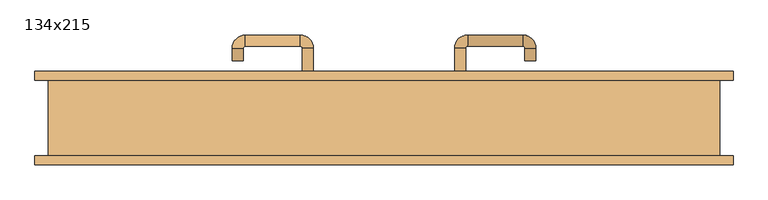
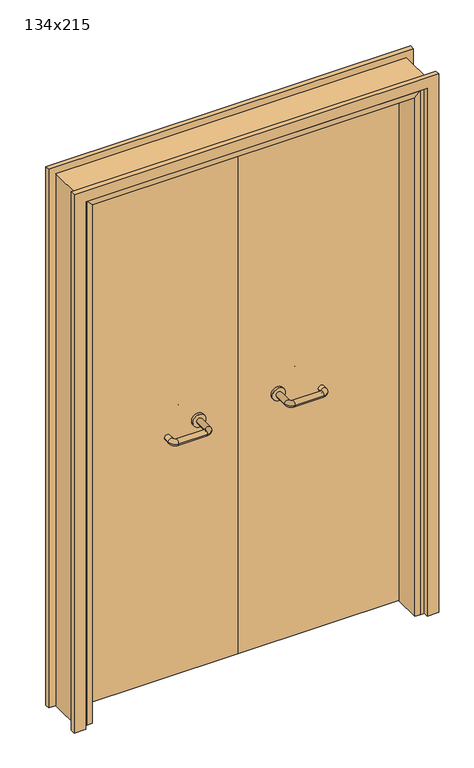
"""IFC4 building model written with IfcOpenShell, lengths in millimetres: door geometry, 134x215."""

from ifc_helpers import new_model, si_unit, point, frame, frame_2d, origin, place, context, project, spatial, polyline, circle_curve, ellipse_curve, trimmed, segment, composite_curve, outline, extrude, faceted_brep, source, transform, mapped, element, save
from ifc_brep_helpers import plane_surface, cylinder_surface, revolved_surface, advanced_brep


def door_134x215_4923bca0(model_context):
    return source(origin(), model_context, "Body", "SolidModel", [
        faceted_brep([(-617.0, 28.0, 0.0), (-617.0, -74.0, 0.0), (-638.0, -74.0, 0.0), (-638.0, 28.0, 0.0), (-617.0, 28.0, 2097.0), (-617.0, -74.0, 2097.0), (-638.0, -74.0, 2118.0), (-638.0, 28.0, 2118.0), (617.0, 28.0, 0.0), (638.0, 28.0, 0.0), (638.0, -74.0, 0.0), (617.0, -74.0, 0.0), (617.0, 28.0, 2097.0), (638.0, 28.0, 2118.0), (638.0, -74.0, 2118.0), (617.0, -74.0, 2097.0)], [[[0, 1, 2, 3]], [[1, 0, 4, 5]], [[2, 1, 5, 6]], [[3, 2, 6, 7]], [[0, 3, 7, 4]], [[8, 9, 10, 11]], [[12, 13, 9, 8]], [[13, 14, 10, 9]], [[14, 15, 11, 10]], [[15, 12, 8, 11]], [[5, 4, 12, 15]], [[6, 5, 15, 14]], [[7, 6, 14, 13]], [[4, 7, 13, 12]]]),
        extrude(outline(polyline([(2177.0, 697.0), (2177.0, -697.0), (0.0, -697.0), (0.0, -653.0), (2133.0, -653.0), (2133.0, 653.0), (0.0, 653.0), (0.0, 697.0), (2177.0, 697.0)])), frame((0.0, 75.0, 0.0), z_axis=(0.0, 1.0, 0.0), x_axis=(0.0, 0.0, 1.0)), (0.0, 0.0, 1.0), 18.0),
        extrude(outline(polyline([(2177.0, -697.0), (0.0, -697.0), (0.0, -653.0), (2133.0, -653.0), (2133.0, 653.0), (0.0, 653.0), (0.0, 697.0), (2177.0, 697.0), (2177.0, -697.0)])), frame((0.0, -93.0, 0.0), z_axis=(0.0, 1.0, 0.0), x_axis=(0.0, 0.0, 1.0)), (0.0, 0.0, 1.0), 18.0),
        extrude(outline(polyline([(2150.0, -670.0), (0.0, -670.0), (0.0, -638.0), (2118.0, -638.0), (2118.0, 638.0), (0.0, 638.0), (0.0, 670.0), (2150.0, 670.0), (2150.0, -670.0)])), frame((0.0, -74.0, 0.0), z_axis=(0.0, 1.0, 0.0), x_axis=(0.0, 0.0, 1.0)), (0.0, 0.0, 1.0), 149.0),
        advanced_brep(
        [(140.99898, 21.0, 1003.0), (162.99898, 21.0, 1003.0), (140.99898, -34.3525369, 1003.0), (162.99898, -34.3525369, 1003.0), (166.99898, -38.3525369, 1003.0), (166.99898, -60.3525369, 1003.0), (276.99898, -60.3525369, 1003.0), (276.99898, -38.3525369, 1003.0), (280.99898, -34.3525369, 1003.0), (302.99898, -34.3525369, 1003.0), (302.99898, -17.0, 1003.0), (280.99898, -17.0, 1003.0)],
        [
            (0, 1, circle_curve(frame((151.99898, 21.0, 1003.0), z_axis=(0.0, 1.0, 0.0), x_axis=(1.0, 0.0, 0.0)), 11.0)),
            (1, 0, circle_curve(frame((151.99898, 21.0, 1003.0), z_axis=(0.0, 1.0, 0.0), x_axis=(1.0, 0.0, 0.0)), 11.0)),
            (0, 2),
            (2, 3, circle_curve(frame((151.99898, -34.3525369, 1003.0), z_axis=(0.0, 1.0, 0.0), x_axis=(1.0, 0.0, 0.0)), 11.0)),
            (3, 1),
            (3, 2, circle_curve(frame((151.99898, -34.3525369, 1003.0), z_axis=(0.0, 1.0, 0.0), x_axis=(1.0, 0.0, 0.0)), 11.0)),
            (4, 3, circle_curve(frame((166.99898, -34.3525369, 1003.0), z_axis=(0.0, 0.0, -1.0), x_axis=(-1.0, 0.0, 0.0)), 4.0)),
            (2, 5, circle_curve(frame((166.99898, -34.3525369, 1003.0), z_axis=(0.0, 0.0, 1.0), x_axis=(-1.0, 0.0, 0.0)), 26.0)),
            (5, 4, circle_curve(frame((166.99898, -49.3525369, 1003.0), z_axis=(-1.0, 0.0, 0.0), x_axis=(0.0, 1.0, 0.0)), 11.0)),
            (4, 5, circle_curve(frame((166.99898, -49.3525369, 1003.0), z_axis=(-1.0, 0.0, 0.0), x_axis=(0.0, 1.0, 0.0)), 11.0)),
            (5, 6),
            (6, 7, circle_curve(frame((276.99898, -49.3525369, 1003.0), z_axis=(-1.0, 0.0, 0.0), x_axis=(0.0, 1.0, 0.0)), 11.0)),
            (7, 4),
            (7, 6, circle_curve(frame((276.99898, -49.3525369, 1003.0), z_axis=(-1.0, 0.0, 0.0), x_axis=(0.0, 1.0, 0.0)), 11.0)),
            (8, 7, circle_curve(frame((276.99898, -34.3525369, 1003.0), z_axis=(0.0, 0.0, -1.0), x_axis=(0.0, -1.0, 0.0)), 4.0)),
            (6, 9, circle_curve(frame((276.99898, -34.3525369, 1003.0), z_axis=(0.0, 0.0, 1.0), x_axis=(0.0, -1.0, 0.0)), 26.0)),
            (9, 8, circle_curve(frame((291.99898, -34.3525369, 1003.0), z_axis=(0.0, -1.0, 0.0), x_axis=(-1.0, 0.0, 0.0)), 11.0)),
            (8, 9, circle_curve(frame((291.99898, -34.3525369, 1003.0), z_axis=(0.0, -1.0, 0.0), x_axis=(-1.0, 0.0, 0.0)), 11.0)),
            (10, 11, circle_curve(frame((291.99898, -17.0, 1003.0), z_axis=(0.0, 1.0, 0.0), x_axis=(-1.0, 0.0, 0.0)), 11.0)),
            (11, 10, circle_curve(frame((291.99898, -17.0, 1003.0), z_axis=(0.0, 1.0, 0.0), x_axis=(-1.0, 0.0, 0.0)), 11.0)),
            (9, 10),
            (11, 8),
        ],
        [
            plane_surface(frame((140.99898, 21.0, 1003.0), z_axis=(0.0, 1.0, 0.0), x_axis=(0.0, 0.0, -1.0))),
            cylinder_surface(frame((151.99898, 21.0, 1003.0), z_axis=(0.0, 1.0, 0.0), x_axis=(1.0, 0.0, 0.0)), 11.0),
            revolved_surface(trimmed(ellipse_curve(frame((151.99898, -34.3525369, 1003.0), z_axis=(0.0, 1.0, 0.0), x_axis=(1.0, 0.0, 0.0)), 11.0, 11.0), [point((140.99898, -34.3525369, 1003.0))], [point((162.99898, -34.3525369, 1003.0))], True, "CARTESIAN"), (166.99898, -34.3525369, 1003.0), (0.0, 0.0, 1.0)),
            revolved_surface(trimmed(ellipse_curve(frame((151.99898, -34.3525369, 1003.0), z_axis=(0.0, 1.0, 0.0), x_axis=(1.0, 0.0, 0.0)), 11.0, 11.0), [point((162.99898, -34.3525369, 1003.0))], [point((140.99898, -34.3525369, 1003.0))], True, "CARTESIAN"), (166.99898, -34.3525369, 1003.0), (0.0, 0.0, 1.0)),
            cylinder_surface(frame((166.99898, -49.3525369, 1003.0), z_axis=(-1.0, 0.0, 0.0), x_axis=(0.0, 1.0, 0.0)), 11.0),
            revolved_surface(trimmed(ellipse_curve(frame((276.99898, -49.3525369, 1003.0), z_axis=(-1.0, 0.0, 0.0), x_axis=(0.0, 1.0, 0.0)), 11.0, 11.0), [point((276.99898, -60.3525369, 1003.0))], [point((276.99898, -38.3525369, 1003.0))], True, "CARTESIAN"), (276.99898, -34.3525369, 1003.0), (0.0, 0.0, 1.0)),
            revolved_surface(trimmed(ellipse_curve(frame((276.99898, -49.3525369, 1003.0), z_axis=(-1.0, 0.0, 0.0), x_axis=(0.0, 1.0, 0.0)), 11.0, 11.0), [point((276.99898, -38.3525369, 1003.0))], [point((276.99898, -60.3525369, 1003.0))], True, "CARTESIAN"), (276.99898, -34.3525369, 1003.0), (0.0, 0.0, 1.0)),
            plane_surface(frame((280.99898, -17.0, 1003.0), z_axis=(0.0, 1.0, 0.0), x_axis=(0.0, 0.0, 1.0))),
            cylinder_surface(frame((291.99898, -34.3525369, 1003.0), z_axis=(0.0, -1.0, 0.0), x_axis=(-1.0, 0.0, 0.0)), 11.0),
        ],
        [
            (0, [[1, 2]]),
            (1, [[-1, 3, 4, 5]]),
            (1, [[-2, -5, 6, -3]]),
            (2, [[7, -4, 8, 9]]),
            (3, [[-8, -6, -7, 10]]),
            (4, [[-9, 11, 12, 13]]),
            (4, [[-10, -13, 14, -11]]),
            (5, [[15, -12, 16, 17]]),
            (6, [[-16, -14, -15, 18]]),
            (7, [[19, 20]]),
            (8, [[-17, 21, -20, 22]]),
            (8, [[-18, -22, -19, -21]]),
        ],
    ),
        extrude(outline(composite_curve([segment(trimmed(circle_curve(frame_2d((1003.0, 151.99898)), 25.0), [point((1003.0, 126.99898))], [point((1003.0, 176.99898))], False, "CARTESIAN"), True, "CONTINUOUS"), segment(trimmed(circle_curve(frame_2d((1003.0, 151.99898)), 25.0), [point((1003.0, 176.99898))], [point((1003.0, 126.99898))], False, "CARTESIAN"), True, "CONTINUOUS")], self_intersect=False)), frame((0.0, 21.0, 0.0), z_axis=(0.0, 1.0, 0.0), x_axis=(0.0, 0.0, 1.0)), (0.0, 0.0, 1.0), 10.0),
        advanced_brep(
        [(162.99898, 85.0, 1003.0), (140.99898, 85.0, 1003.0), (162.99898, 140.0, 1003.0), (140.99898, 140.0, 1003.0), (166.99898, 166.0, 1003.0), (166.99898, 144.0, 1003.0), (276.99898, 144.0, 1003.0), (276.99898, 166.0, 1003.0), (302.99898, 140.0, 1003.0), (280.99898, 140.0, 1003.0), (280.99898, 115.0, 1003.0), (302.99898, 115.0, 1003.0)],
        [
            (0, 1, circle_curve(frame((151.99898, 85.0, 1003.0), z_axis=(0.0, -1.0, 0.0), x_axis=(-1.0, 0.0, 0.0)), 11.0)),
            (1, 0, circle_curve(frame((151.99898, 85.0, 1003.0), z_axis=(0.0, -1.0, 0.0), x_axis=(-1.0, 0.0, 0.0)), 11.0)),
            (0, 2),
            (2, 3, circle_curve(frame((151.99898, 140.0, 1003.0), z_axis=(0.0, -1.0, 0.0), x_axis=(-1.0, 0.0, 0.0)), 11.0)),
            (3, 1),
            (3, 2, circle_curve(frame((151.99898, 140.0, 1003.0), z_axis=(0.0, -1.0, 0.0), x_axis=(-1.0, 0.0, 0.0)), 11.0)),
            (4, 3, circle_curve(frame((166.99898, 140.0, 1003.0), z_axis=(0.0, 0.0, 1.0), x_axis=(-1.0, 0.0, 0.0)), 26.0)),
            (2, 5, circle_curve(frame((166.99898, 140.0, 1003.0), z_axis=(0.0, 0.0, -1.0), x_axis=(-1.0, 0.0, 0.0)), 4.0)),
            (5, 4, circle_curve(frame((166.99898, 155.0, 1003.0), z_axis=(-1.0, 0.0, 0.0), x_axis=(0.0, 1.0, 0.0)), 11.0)),
            (4, 5, circle_curve(frame((166.99898, 155.0, 1003.0), z_axis=(-1.0, 0.0, 0.0), x_axis=(0.0, 1.0, 0.0)), 11.0)),
            (5, 6),
            (6, 7, circle_curve(frame((276.99898, 155.0, 1003.0), z_axis=(-1.0, 0.0, 0.0), x_axis=(0.0, 1.0, 0.0)), 11.0)),
            (7, 4),
            (7, 6, circle_curve(frame((276.99898, 155.0, 1003.0), z_axis=(-1.0, 0.0, 0.0), x_axis=(0.0, 1.0, 0.0)), 11.0)),
            (8, 7, circle_curve(frame((276.99898, 140.0, 1003.0), z_axis=(0.0, 0.0, 1.0), x_axis=(0.0, 1.0, 0.0)), 26.0)),
            (6, 9, circle_curve(frame((276.99898, 140.0, 1003.0), z_axis=(0.0, 0.0, -1.0), x_axis=(0.0, 1.0, 0.0)), 4.0)),
            (9, 8, circle_curve(frame((291.99898, 140.0, 1003.0), z_axis=(0.0, 1.0, 0.0), x_axis=(1.0, 0.0, 0.0)), 11.0)),
            (8, 9, circle_curve(frame((291.99898, 140.0, 1003.0), z_axis=(0.0, 1.0, 0.0), x_axis=(1.0, 0.0, 0.0)), 11.0)),
            (10, 11, circle_curve(frame((291.99898, 115.0, 1003.0), z_axis=(0.0, -1.0, 0.0), x_axis=(1.0, 0.0, 0.0)), 11.0)),
            (11, 10, circle_curve(frame((291.99898, 115.0, 1003.0), z_axis=(0.0, -1.0, 0.0), x_axis=(1.0, 0.0, 0.0)), 11.0)),
            (9, 10),
            (11, 8),
        ],
        [
            plane_surface(frame((140.99898, 85.0, 1003.0), z_axis=(0.0, -1.0, 0.0), x_axis=(0.0, 0.0, 1.0))),
            cylinder_surface(frame((151.99898, 85.0, 1003.0), z_axis=(0.0, -1.0, 0.0), x_axis=(-1.0, 0.0, 0.0)), 11.0),
            revolved_surface(trimmed(ellipse_curve(frame((151.99898, 140.0, 1003.0), z_axis=(0.0, -1.0, 0.0), x_axis=(-1.0, 0.0, 0.0)), 11.0, 11.0), [point((162.99898, 140.0, 1003.0))], [point((140.99898, 140.0, 1003.0))], True, "CARTESIAN"), (166.99898, 140.0, 1003.0), (0.0, 0.0, -1.0)),
            revolved_surface(trimmed(ellipse_curve(frame((151.99898, 140.0, 1003.0), z_axis=(0.0, -1.0, 0.0), x_axis=(-1.0, 0.0, 0.0)), 11.0, 11.0), [point((140.99898, 140.0, 1003.0))], [point((162.99898, 140.0, 1003.0))], True, "CARTESIAN"), (166.99898, 140.0, 1003.0), (0.0, 0.0, -1.0)),
            cylinder_surface(frame((166.99898, 155.0, 1003.0), z_axis=(-1.0, 0.0, 0.0), x_axis=(0.0, 1.0, 0.0)), 11.0),
            revolved_surface(trimmed(ellipse_curve(frame((276.99898, 155.0, 1003.0), z_axis=(-1.0, 0.0, 0.0), x_axis=(0.0, 1.0, 0.0)), 11.0, 11.0), [point((276.99898, 144.0, 1003.0))], [point((276.99898, 166.0, 1003.0))], True, "CARTESIAN"), (276.99898, 140.0, 1003.0), (0.0, 0.0, -1.0)),
            revolved_surface(trimmed(ellipse_curve(frame((276.99898, 155.0, 1003.0), z_axis=(-1.0, 0.0, 0.0), x_axis=(0.0, 1.0, 0.0)), 11.0, 11.0), [point((276.99898, 166.0, 1003.0))], [point((276.99898, 144.0, 1003.0))], True, "CARTESIAN"), (276.99898, 140.0, 1003.0), (0.0, 0.0, -1.0)),
            plane_surface(frame((280.99898, 115.0, 1003.0), z_axis=(0.0, -1.0, 0.0), x_axis=(0.0, 0.0, -1.0))),
            cylinder_surface(frame((291.99898, 140.0, 1003.0), z_axis=(0.0, 1.0, 0.0), x_axis=(1.0, 0.0, 0.0)), 11.0),
        ],
        [
            (0, [[1, 2]]),
            (1, [[-1, 3, 4, 5]]),
            (1, [[-2, -5, 6, -3]]),
            (2, [[7, -4, 8, 9]]),
            (3, [[-8, -6, -7, 10]]),
            (4, [[-9, 11, 12, 13]]),
            (4, [[-10, -13, 14, -11]]),
            (5, [[15, -12, 16, 17]]),
            (6, [[-16, -14, -15, 18]]),
            (7, [[19, 20]]),
            (8, [[-17, 21, -20, 22]]),
            (8, [[-18, -22, -19, -21]]),
        ],
    ),
        extrude(outline(composite_curve([segment(trimmed(circle_curve(frame_2d((1003.0, 151.99898)), 25.0), [point((1003.0, 176.99898))], [point((1003.0, 126.99898))], False, "CARTESIAN"), True, "CONTINUOUS"), segment(trimmed(circle_curve(frame_2d((1003.0, 151.99898)), 25.0), [point((1003.0, 126.99898))], [point((1003.0, 176.99898))], False, "CARTESIAN"), True, "CONTINUOUS")], self_intersect=False)), frame((0.0, 75.0, 0.0), z_axis=(0.0, 1.0, 0.0), x_axis=(0.0, 0.0, 1.0)), (0.0, 0.0, 1.0), 10.0),
        advanced_brep(
        [(-162.99898, 20.6886121, 1003.0), (-140.99898, 20.6886121, 1003.0), (-162.99898, -34.7220447, 1003.0), (-140.99898, -34.7220447, 1003.0), (-166.99898, -60.7220447, 1003.0), (-166.99898, -38.7220447, 1003.0), (-276.99898, -38.7220447, 1003.0), (-276.99898, -60.7220447, 1003.0), (-302.99898, -34.7220447, 1003.0), (-280.99898, -34.7220447, 1003.0), (-280.99898, -9.7220447, 1003.0), (-302.99898, -9.7220447, 1003.0)],
        [
            (0, 1, circle_curve(frame((-151.99898, 20.6886121, 1003.0), z_axis=(0.0, 1.0, 0.0), x_axis=(1.0, 0.0, 0.0)), 11.0)),
            (1, 0, circle_curve(frame((-151.99898, 20.6886121, 1003.0), z_axis=(0.0, 1.0, 0.0), x_axis=(1.0, 0.0, 0.0)), 11.0)),
            (0, 2),
            (2, 3, circle_curve(frame((-151.99898, -34.7220447, 1003.0), z_axis=(0.0, 1.0, 0.0), x_axis=(1.0, 0.0, 0.0)), 11.0)),
            (3, 1),
            (3, 2, circle_curve(frame((-151.99898, -34.7220447, 1003.0), z_axis=(0.0, 1.0, 0.0), x_axis=(1.0, 0.0, 0.0)), 11.0)),
            (4, 3, circle_curve(frame((-166.99898, -34.7220447, 1003.0), z_axis=(0.0, 0.0, 1.0), x_axis=(1.0, 0.0, 0.0)), 26.0)),
            (2, 5, circle_curve(frame((-166.99898, -34.7220447, 1003.0), z_axis=(0.0, 0.0, -1.0), x_axis=(1.0, 0.0, 0.0)), 4.0)),
            (5, 4, circle_curve(frame((-166.99898, -49.7220447, 1003.0), z_axis=(1.0, 0.0, 0.0), x_axis=(0.0, -1.0, 0.0)), 11.0)),
            (4, 5, circle_curve(frame((-166.99898, -49.7220447, 1003.0), z_axis=(1.0, 0.0, 0.0), x_axis=(0.0, -1.0, 0.0)), 11.0)),
            (5, 6),
            (6, 7, circle_curve(frame((-276.99898, -49.7220447, 1003.0), z_axis=(1.0, 0.0, 0.0), x_axis=(0.0, -1.0, 0.0)), 11.0)),
            (7, 4),
            (7, 6, circle_curve(frame((-276.99898, -49.7220447, 1003.0), z_axis=(1.0, 0.0, 0.0), x_axis=(0.0, -1.0, 0.0)), 11.0)),
            (8, 7, circle_curve(frame((-276.99898, -34.7220447, 1003.0), z_axis=(0.0, 0.0, 1.0), x_axis=(0.0, -1.0, 0.0)), 26.0)),
            (6, 9, circle_curve(frame((-276.99898, -34.7220447, 1003.0), z_axis=(0.0, 0.0, -1.0), x_axis=(0.0, -1.0, 0.0)), 4.0)),
            (9, 8, circle_curve(frame((-291.99898, -34.7220447, 1003.0), z_axis=(0.0, -1.0, 0.0), x_axis=(-1.0, 0.0, 0.0)), 11.0)),
            (8, 9, circle_curve(frame((-291.99898, -34.7220447, 1003.0), z_axis=(0.0, -1.0, 0.0), x_axis=(-1.0, 0.0, 0.0)), 11.0)),
            (10, 11, circle_curve(frame((-291.99898, -9.7220447, 1003.0), z_axis=(0.0, 1.0, 0.0), x_axis=(-1.0, 0.0, 0.0)), 11.0)),
            (11, 10, circle_curve(frame((-291.99898, -9.7220447, 1003.0), z_axis=(0.0, 1.0, 0.0), x_axis=(-1.0, 0.0, 0.0)), 11.0)),
            (9, 10),
            (11, 8),
        ],
        [
            plane_surface(frame((-162.99898, 20.6886121, 1003.0), z_axis=(0.0, 1.0, 0.0), x_axis=(0.0, 0.0, -1.0))),
            cylinder_surface(frame((-151.99898, 20.6886121, 1003.0), z_axis=(0.0, 1.0, 0.0), x_axis=(1.0, 0.0, 0.0)), 11.0),
            revolved_surface(trimmed(ellipse_curve(frame((-151.99898, -34.7220447, 1003.0), z_axis=(0.0, 1.0, 0.0), x_axis=(1.0, 0.0, 0.0)), 11.0, 11.0), [point((-162.99898, -34.7220447, 1003.0))], [point((-140.99898, -34.7220447, 1003.0))], True, "CARTESIAN"), (-166.99898, -34.7220447, 1003.0), (0.0, 0.0, -1.0)),
            revolved_surface(trimmed(ellipse_curve(frame((-151.99898, -34.7220447, 1003.0), z_axis=(0.0, 1.0, 0.0), x_axis=(1.0, 0.0, 0.0)), 11.0, 11.0), [point((-140.99898, -34.7220447, 1003.0))], [point((-162.99898, -34.7220447, 1003.0))], True, "CARTESIAN"), (-166.99898, -34.7220447, 1003.0), (0.0, 0.0, -1.0)),
            cylinder_surface(frame((-166.99898, -49.7220447, 1003.0), z_axis=(1.0, 0.0, 0.0), x_axis=(0.0, -1.0, 0.0)), 11.0),
            revolved_surface(trimmed(ellipse_curve(frame((-276.99898, -49.7220447, 1003.0), z_axis=(1.0, 0.0, 0.0), x_axis=(0.0, -1.0, 0.0)), 11.0, 11.0), [point((-276.99898, -38.7220447, 1003.0))], [point((-276.99898, -60.7220447, 1003.0))], True, "CARTESIAN"), (-276.99898, -34.7220447, 1003.0), (0.0, 0.0, -1.0)),
            revolved_surface(trimmed(ellipse_curve(frame((-276.99898, -49.7220447, 1003.0), z_axis=(1.0, 0.0, 0.0), x_axis=(0.0, -1.0, 0.0)), 11.0, 11.0), [point((-276.99898, -60.7220447, 1003.0))], [point((-276.99898, -38.7220447, 1003.0))], True, "CARTESIAN"), (-276.99898, -34.7220447, 1003.0), (0.0, 0.0, -1.0)),
            plane_surface(frame((-302.99898, -9.7220447, 1003.0), z_axis=(0.0, 1.0, 0.0), x_axis=(0.0, 0.0, 1.0))),
            cylinder_surface(frame((-291.99898, -34.7220447, 1003.0), z_axis=(0.0, -1.0, 0.0), x_axis=(-1.0, 0.0, 0.0)), 11.0),
        ],
        [
            (0, [[1, 2]]),
            (1, [[-1, 3, 4, 5]]),
            (1, [[-2, -5, 6, -3]]),
            (2, [[7, -4, 8, 9]]),
            (3, [[-8, -6, -7, 10]]),
            (4, [[-9, 11, 12, 13]]),
            (4, [[-10, -13, 14, -11]]),
            (5, [[15, -12, 16, 17]]),
            (6, [[-16, -14, -15, 18]]),
            (7, [[19, 20]]),
            (8, [[-17, 21, -20, 22]]),
            (8, [[-18, -22, -19, -21]]),
        ],
    ),
        extrude(outline(composite_curve([segment(trimmed(circle_curve(frame_2d((1003.0, -151.99898)), 25.0), [point((1003.0, -176.99898))], [point((1003.0, -126.99898))], False, "CARTESIAN"), True, "CONTINUOUS"), segment(trimmed(circle_curve(frame_2d((1003.0, -151.99898)), 25.0), [point((1003.0, -126.99898))], [point((1003.0, -176.99898))], False, "CARTESIAN"), True, "CONTINUOUS")], self_intersect=False)), frame((0.0, 20.6886121, 0.0), z_axis=(0.0, 1.0, 0.0), x_axis=(0.0, 0.0, 1.0)), (0.0, 0.0, 1.0), 10.3113879),
        advanced_brep(
        [(-140.99898, 84.5143417, 1003.0), (-162.99898, 84.5143417, 1003.0), (-140.99898, 139.6104656, 1003.0), (-162.99898, 139.6104656, 1003.0), (-166.99898, 143.6104656, 1003.0), (-166.99898, 165.6104656, 1003.0), (-276.99898, 165.6104656, 1003.0), (-276.99898, 143.6104656, 1003.0), (-280.99898, 139.6104656, 1003.0), (-302.99898, 139.6104656, 1003.0), (-302.99898, 114.6104656, 1003.0), (-280.99898, 114.6104656, 1003.0)],
        [
            (0, 1, circle_curve(frame((-151.99898, 84.5143417, 1003.0), z_axis=(0.0, -1.0, 0.0), x_axis=(-1.0, 0.0, 0.0)), 11.0)),
            (1, 0, circle_curve(frame((-151.99898, 84.5143417, 1003.0), z_axis=(0.0, -1.0, 0.0), x_axis=(-1.0, 0.0, 0.0)), 11.0)),
            (0, 2),
            (2, 3, circle_curve(frame((-151.99898, 139.6104656, 1003.0), z_axis=(0.0, -1.0, 0.0), x_axis=(-1.0, 0.0, 0.0)), 11.0)),
            (3, 1),
            (3, 2, circle_curve(frame((-151.99898, 139.6104656, 1003.0), z_axis=(0.0, -1.0, 0.0), x_axis=(-1.0, 0.0, 0.0)), 11.0)),
            (4, 3, circle_curve(frame((-166.99898, 139.6104656, 1003.0), z_axis=(0.0, 0.0, -1.0), x_axis=(1.0, 0.0, 0.0)), 4.0)),
            (2, 5, circle_curve(frame((-166.99898, 139.6104656, 1003.0), z_axis=(0.0, 0.0, 1.0), x_axis=(1.0, 0.0, 0.0)), 26.0)),
            (5, 4, circle_curve(frame((-166.99898, 154.6104656, 1003.0), z_axis=(1.0, 0.0, 0.0), x_axis=(0.0, -1.0, 0.0)), 11.0)),
            (4, 5, circle_curve(frame((-166.99898, 154.6104656, 1003.0), z_axis=(1.0, 0.0, 0.0), x_axis=(0.0, -1.0, 0.0)), 11.0)),
            (5, 6),
            (6, 7, circle_curve(frame((-276.99898, 154.6104656, 1003.0), z_axis=(1.0, 0.0, 0.0), x_axis=(0.0, -1.0, 0.0)), 11.0)),
            (7, 4),
            (7, 6, circle_curve(frame((-276.99898, 154.6104656, 1003.0), z_axis=(1.0, 0.0, 0.0), x_axis=(0.0, -1.0, 0.0)), 11.0)),
            (8, 7, circle_curve(frame((-276.99898, 139.6104656, 1003.0), z_axis=(0.0, 0.0, -1.0), x_axis=(0.0, 1.0, 0.0)), 4.0)),
            (6, 9, circle_curve(frame((-276.99898, 139.6104656, 1003.0), z_axis=(0.0, 0.0, 1.0), x_axis=(0.0, 1.0, 0.0)), 26.0)),
            (9, 8, circle_curve(frame((-291.99898, 139.6104656, 1003.0), z_axis=(0.0, 1.0, 0.0), x_axis=(1.0, 0.0, 0.0)), 11.0)),
            (8, 9, circle_curve(frame((-291.99898, 139.6104656, 1003.0), z_axis=(0.0, 1.0, 0.0), x_axis=(1.0, 0.0, 0.0)), 11.0)),
            (10, 11, circle_curve(frame((-291.99898, 114.6104656, 1003.0), z_axis=(0.0, -1.0, 0.0), x_axis=(1.0, 0.0, 0.0)), 11.0)),
            (11, 10, circle_curve(frame((-291.99898, 114.6104656, 1003.0), z_axis=(0.0, -1.0, 0.0), x_axis=(1.0, 0.0, 0.0)), 11.0)),
            (9, 10),
            (11, 8),
        ],
        [
            plane_surface(frame((-162.99898, 84.5143417, 1003.0), z_axis=(0.0, -1.0, 0.0), x_axis=(0.0, 0.0, 1.0))),
            cylinder_surface(frame((-151.99898, 84.5143417, 1003.0), z_axis=(0.0, -1.0, 0.0), x_axis=(-1.0, 0.0, 0.0)), 11.0),
            revolved_surface(trimmed(ellipse_curve(frame((-151.99898, 139.6104656, 1003.0), z_axis=(0.0, -1.0, 0.0), x_axis=(-1.0, 0.0, 0.0)), 11.0, 11.0), [point((-140.99898, 139.6104656, 1003.0))], [point((-162.99898, 139.6104656, 1003.0))], True, "CARTESIAN"), (-166.99898, 139.6104656, 1003.0), (0.0, 0.0, 1.0)),
            revolved_surface(trimmed(ellipse_curve(frame((-151.99898, 139.6104656, 1003.0), z_axis=(0.0, -1.0, 0.0), x_axis=(-1.0, 0.0, 0.0)), 11.0, 11.0), [point((-162.99898, 139.6104656, 1003.0))], [point((-140.99898, 139.6104656, 1003.0))], True, "CARTESIAN"), (-166.99898, 139.6104656, 1003.0), (0.0, 0.0, 1.0)),
            cylinder_surface(frame((-166.99898, 154.6104656, 1003.0), z_axis=(1.0, 0.0, 0.0), x_axis=(0.0, -1.0, 0.0)), 11.0),
            revolved_surface(trimmed(ellipse_curve(frame((-276.99898, 154.6104656, 1003.0), z_axis=(1.0, 0.0, 0.0), x_axis=(0.0, -1.0, 0.0)), 11.0, 11.0), [point((-276.99898, 165.6104656, 1003.0))], [point((-276.99898, 143.6104656, 1003.0))], True, "CARTESIAN"), (-276.99898, 139.6104656, 1003.0), (0.0, 0.0, 1.0)),
            revolved_surface(trimmed(ellipse_curve(frame((-276.99898, 154.6104656, 1003.0), z_axis=(1.0, 0.0, 0.0), x_axis=(0.0, -1.0, 0.0)), 11.0, 11.0), [point((-276.99898, 143.6104656, 1003.0))], [point((-276.99898, 165.6104656, 1003.0))], True, "CARTESIAN"), (-276.99898, 139.6104656, 1003.0), (0.0, 0.0, 1.0)),
            plane_surface(frame((-302.99898, 114.6104656, 1003.0), z_axis=(0.0, -1.0, 0.0), x_axis=(0.0, 0.0, -1.0))),
            cylinder_surface(frame((-291.99898, 139.6104656, 1003.0), z_axis=(0.0, 1.0, 0.0), x_axis=(1.0, 0.0, 0.0)), 11.0),
        ],
        [
            (0, [[1, 2]]),
            (1, [[-1, 3, 4, 5]]),
            (1, [[-2, -5, 6, -3]]),
            (2, [[7, -4, 8, 9]]),
            (3, [[-8, -6, -7, 10]]),
            (4, [[-9, 11, 12, 13]]),
            (4, [[-10, -13, 14, -11]]),
            (5, [[15, -12, 16, 17]]),
            (6, [[-16, -14, -15, 18]]),
            (7, [[19, 20]]),
            (8, [[-17, 21, -20, 22]]),
            (8, [[-18, -22, -19, -21]]),
        ],
    ),
        extrude(outline(composite_curve([segment(trimmed(circle_curve(frame_2d((1003.0, -151.99898)), 25.0), [point((1003.0, -126.99898))], [point((1003.0, -176.99898))], False, "CARTESIAN"), True, "CONTINUOUS"), segment(trimmed(circle_curve(frame_2d((1003.0, -151.99898)), 25.0), [point((1003.0, -176.99898))], [point((1003.0, -126.99898))], False, "CARTESIAN"), True, "CONTINUOUS")], self_intersect=False)), frame((0.0, 75.0, 0.0), z_axis=(0.0, 1.0, 0.0), x_axis=(0.0, 0.0, 1.0)), (0.0, 0.0, 1.0), 9.5143417),
        extrude(outline(polyline([(1.0739506, 31.0), (-635.0, 31.0), (-635.0, 75.0), (1.0739506, 75.0), (1.0739506, 31.0)])), frame((0.0, 0.0, 1.753223), z_axis=(0.0, 0.0, 1.0), x_axis=(1.0, 0.0, 0.0)), (0.0, 0.0, 1.0), 2116.246777),
        extrude(outline(polyline([(635.0, 31.0), (1.0739506, 31.0), (1.0739506, 75.0), (635.0, 75.0), (635.0, 31.0)])), frame((0.0, 0.0, 1.753223), z_axis=(0.0, 0.0, 1.0), x_axis=(1.0, 0.0, 0.0)), (0.0, 0.0, 1.0), 2116.246777),
    ])


if __name__ == "__main__":
    model = new_model("IFC4")
    model_context = context("Model", 3, world=origin())
    ifc_project = project(units=[si_unit("LENGTHUNIT", "METRE", prefix="MILLI")], contexts=[model_context])
    site = spatial("IfcSite", under=ifc_project)
    building = spatial("IfcBuilding", under=site)
    placement = place(None, origin())
    door_134x215_shape = door_134x215_4923bca0(model_context)
    element("IfcDoor", 1, ObjectType="134x215", at=placement, inside=building, context=model_context, shape_type="MappedRepresentation", body=[
        mapped(door_134x215_shape, transform((0.0, 0.0, 0.0), x_axis=(1.0, 0.0, 0.0), y_axis=(0.0, 1.0, 0.0), z_axis=(0.0, 0.0, 1.0))),
    ])
    save(model, "model.ifc")
